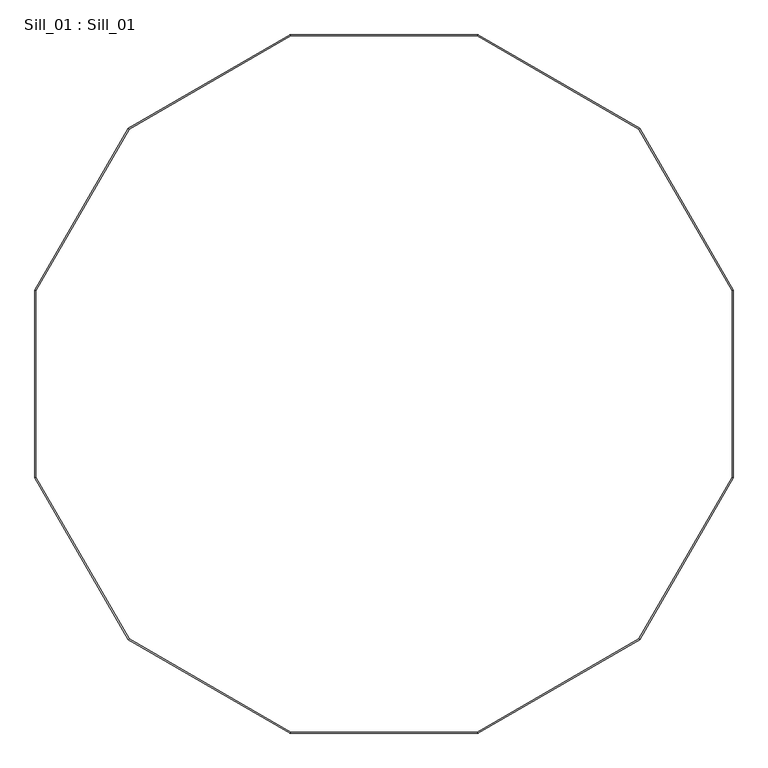
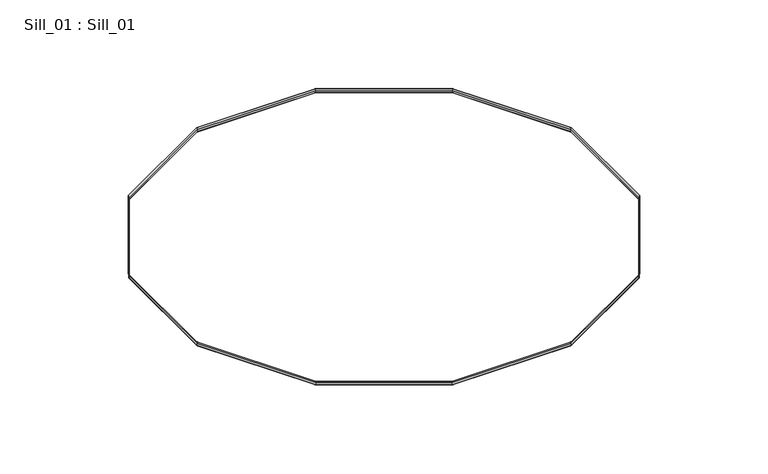
"""IFC4 building model written with IfcOpenShell, lengths in millimetres: proxy geometry, Sill_01 : Sill_01."""

from ifc_helpers import new_model, si_unit, origin, place, context, project, spatial, faceted_brep, source, transform, mapped, element, save


def sill_01_sill_01_696a6e72(model_context):
    return source(origin(), model_context, "Body", "Brep", [
        faceted_brep([(9771.8509048, 10721.7518289, -107.5866884), (9778.3732809, 10697.4099901, -180.6332352), (5433.9071811, 8189.1313179, -180.6332352), (5416.0877184, 8206.9507807, -107.5866884), (9772.2512288, 10720.2577994, -107.0888219), (5417.1814238, 8205.8570752, -107.0888219), (9778.7952532, 10695.8351678, -180.377817), (5435.0600311, 8187.978468, -180.377817), (9778.7929866, 10695.8436268, -277.3106565), (5435.0538387, 8187.9846604, -277.3106565), (9776.3865243, 10704.8246665, -286.290129), (5428.4792612, 8194.5592378, -286.290129), (9776.088175, 10705.9381211, -285.17648), (5427.6641559, 8195.3743431, -285.17648), (9778.3710355, 10697.4183698, -276.6582156), (5433.9010467, 8189.1374523, -276.6582156), (2925.628509, 3844.6652182, -180.6332352), (2901.2866701, 3851.1875942, -107.5866884), (2902.7806996, 3850.7872703, -107.0888219), (2927.2033313, 3844.2432458, -180.377817), (2927.1948723, 3844.2455124, -277.3106565), (2918.2138325, 3846.6519748, -286.290129), (2917.1003779, 3846.950324, -285.17648), (2925.6201292, 3844.6674635, -276.6582156), (2925.628509, -1171.8921261, -180.6332352), (2901.2866701, -1178.4145022, -107.5866884), (2902.7806996, -1178.0141782, -107.0888219), (2927.2033313, -1171.4701538, -180.377817), (2927.1948723, -1171.4724203, -277.3106565), (2918.2138325, -1173.8788827, -286.290129), (2917.1003779, -1174.177232, -285.17648), (2925.6201292, -1171.8943715, -276.6582156), (5433.9071811, -5516.3582259, -180.6332352), (5416.0877184, -5534.1776886, -107.5866884), (5417.1814238, -5533.0839831, -107.0888219), (5435.0600311, -5515.2053759, -180.377817), (5435.0538387, -5515.2115683, -277.3106565), (5428.4792612, -5521.7861457, -286.290129), (5427.6641559, -5522.6012511, -285.17648), (5433.9010467, -5516.3643603, -276.6582156), (9778.3732809, -8024.636898, -180.6332352), (9771.8509048, -8048.9787368, -107.5866884), (9772.2512288, -8047.4847074, -107.0888219), (9778.7952532, -8023.0620757, -180.377817), (9778.7929866, -8023.0705347, -277.3106565), (9776.3865243, -8032.0515745, -286.290129), (9776.088175, -8033.165029, -285.17648), (9778.3710355, -8024.6452778, -276.6582156), (14794.9306252, -8024.636898, -180.6332352), (14801.4530012, -8048.9787368, -107.5866884), (14801.0526772, -8047.4847074, -107.0888219), (14794.5086528, -8023.0620757, -180.377817), (14794.5109194, -8023.0705347, -277.3106565), (14796.9173817, -8032.0515745, -286.290129), (14797.215731, -8033.165029, -285.17648), (14794.9328705, -8024.6452778, -276.6582156), (19139.3967249, -5516.3582259, -180.6332352), (19157.2161877, -5534.1776886, -107.5866884), (19156.1224822, -5533.0839831, -107.0888219), (19138.243875, -5515.2053759, -180.377817), (19138.2500674, -5515.2115683, -277.3106565), (19144.8246448, -5521.7861457, -286.290129), (19145.6397501, -5522.6012511, -285.17648), (19139.4028593, -5516.3643603, -276.6582156), (21647.6753971, -1171.8921261, -180.6332352), (21672.0172359, -1178.4145022, -107.5866884), (21670.5232064, -1178.0141782, -107.0888219), (21646.1005748, -1171.4701538, -180.377817), (21646.1090337, -1171.4724203, -277.3106565), (21655.0900735, -1173.8788827, -286.290129), (21656.2035281, -1174.177232, -285.17648), (21647.6837768, -1171.8943715, -276.6582156), (21647.6753971, 3844.6652182, -180.6332352), (21672.0172359, 3851.1875942, -107.5866884), (21670.5232064, 3850.7872703, -107.0888219), (21646.1005748, 3844.2432458, -180.377817), (21646.1090337, 3844.2455124, -277.3106565), (21655.0900735, 3846.6519748, -286.290129), (21656.2035281, 3846.950324, -285.17648), (21647.6837768, 3844.6674635, -276.6582156), (19139.3967249, 8189.1313179, -180.6332352), (19157.2161877, 8206.9507807, -107.5866884), (19156.1224822, 8205.8570752, -107.0888219), (19138.243875, 8187.978468, -180.377817), (19138.2500674, 8187.9846604, -277.3106565), (19144.8246448, 8194.5592378, -286.290129), (19145.6397501, 8195.3743431, -285.17648), (19139.4028593, 8189.1374523, -276.6582156), (14794.9306252, 10697.4099901, -180.6332352), (14801.4530012, 10721.7518289, -107.5866884), (14801.0526772, 10720.2577994, -107.0888219), (14794.5086528, 10695.8351678, -180.377817), (14794.5109194, 10695.8436268, -277.3106565), (14796.9173817, 10704.8246665, -286.290129), (14797.215731, 10705.9381211, -285.17648), (14794.9328705, 10697.4183698, -276.6582156)], [[[0, 1, 2, 3]], [[4, 0, 3, 5]], [[6, 4, 5, 7]], [[8, 6, 7, 9]], [[10, 8, 9, 11]], [[12, 10, 11, 13]], [[14, 12, 13, 15]], [[1, 14, 15, 2]], [[3, 2, 16, 17]], [[5, 3, 17, 18]], [[7, 5, 18, 19]], [[9, 7, 19, 20]], [[11, 9, 20, 21]], [[13, 11, 21, 22]], [[15, 13, 22, 23]], [[2, 15, 23, 16]], [[17, 16, 24, 25]], [[18, 17, 25, 26]], [[19, 18, 26, 27]], [[20, 19, 27, 28]], [[21, 20, 28, 29]], [[22, 21, 29, 30]], [[23, 22, 30, 31]], [[16, 23, 31, 24]], [[25, 24, 32, 33]], [[26, 25, 33, 34]], [[27, 26, 34, 35]], [[28, 27, 35, 36]], [[29, 28, 36, 37]], [[30, 29, 37, 38]], [[31, 30, 38, 39]], [[24, 31, 39, 32]], [[33, 32, 40, 41]], [[34, 33, 41, 42]], [[35, 34, 42, 43]], [[36, 35, 43, 44]], [[37, 36, 44, 45]], [[38, 37, 45, 46]], [[39, 38, 46, 47]], [[32, 39, 47, 40]], [[41, 40, 48, 49]], [[42, 41, 49, 50]], [[43, 42, 50, 51]], [[44, 43, 51, 52]], [[45, 44, 52, 53]], [[46, 45, 53, 54]], [[47, 46, 54, 55]], [[40, 47, 55, 48]], [[49, 48, 56, 57]], [[50, 49, 57, 58]], [[51, 50, 58, 59]], [[52, 51, 59, 60]], [[53, 52, 60, 61]], [[54, 53, 61, 62]], [[55, 54, 62, 63]], [[48, 55, 63, 56]], [[57, 56, 64, 65]], [[58, 57, 65, 66]], [[59, 58, 66, 67]], [[60, 59, 67, 68]], [[61, 60, 68, 69]], [[62, 61, 69, 70]], [[63, 62, 70, 71]], [[56, 63, 71, 64]], [[65, 64, 72, 73]], [[66, 65, 73, 74]], [[67, 66, 74, 75]], [[68, 67, 75, 76]], [[69, 68, 76, 77]], [[70, 69, 77, 78]], [[71, 70, 78, 79]], [[64, 71, 79, 72]], [[73, 72, 80, 81]], [[74, 73, 81, 82]], [[75, 74, 82, 83]], [[76, 75, 83, 84]], [[77, 76, 84, 85]], [[78, 77, 85, 86]], [[79, 78, 86, 87]], [[72, 79, 87, 80]], [[81, 80, 88, 89]], [[82, 81, 89, 90]], [[83, 82, 90, 91]], [[84, 83, 91, 92]], [[85, 84, 92, 93]], [[86, 85, 93, 94]], [[87, 86, 94, 95]], [[80, 87, 95, 88]], [[89, 88, 1, 0]], [[90, 89, 0, 4]], [[91, 90, 4, 6]], [[92, 91, 6, 8]], [[93, 92, 8, 10]], [[94, 93, 10, 12]], [[95, 94, 12, 14]], [[88, 95, 14, 1]]]),
    ])


if __name__ == "__main__":
    model = new_model("IFC4")
    model_context = context("Model", 3, world=origin())
    ifc_project = project(units=[si_unit("LENGTHUNIT", "METRE", prefix="MILLI")], contexts=[model_context])
    site = spatial("IfcSite", under=ifc_project)
    building = spatial("IfcBuilding", under=site)
    placement = place(None, origin())
    sill_01_sill_01_shape = sill_01_sill_01_696a6e72(model_context)
    element("IfcBuildingElementProxy", 1, Name="Sill_01 : Sill_01", ObjectType="Sill_01 : Sill_01", at=placement, inside=building, context=model_context, shape_type="MappedRepresentation", body=[
        mapped(sill_01_sill_01_shape, transform((0.0, 0.0, 0.0), x_axis=(1.0, 0.0, 0.0), y_axis=(0.0, 1.0, 0.0), z_axis=(0.0, 0.0, 1.0))),
    ])
    save(model, "model.ifc")
